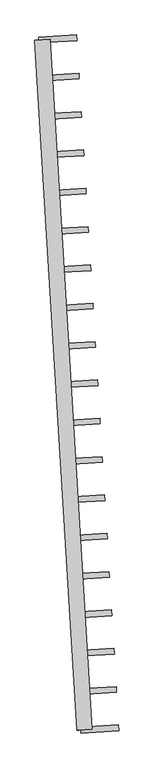
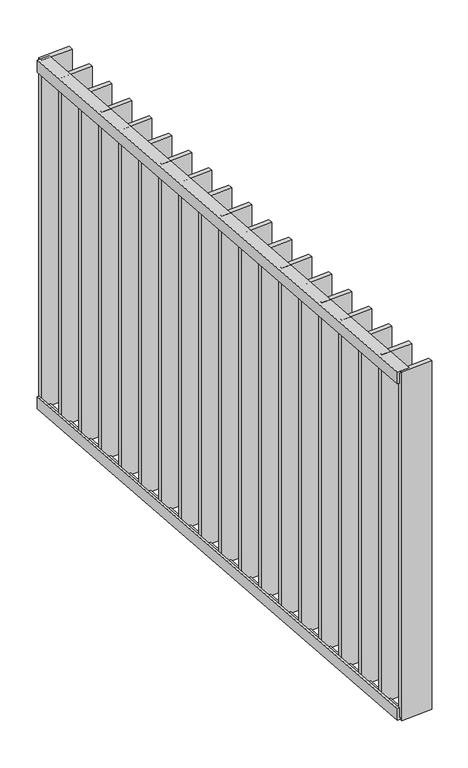
"""IFC4 building model written with IfcOpenShell, lengths in millimetres: railing geometry."""

import ifcopenshell
import ifcopenshell.guid

model = None  # the IFC model being written
_history = None  # IfcOwnerHistory: only IFC2X3 demands one
_inside = {}  # id of a spatial element -> (the spatial element, [elements in it])
_under = {}  # id of a project, library or spatial element -> (it, [spatial elements below it])
_declared = {}  # id of a project -> (the project, [libraries it declares])
_typed = {}  # id of a type object -> (the type object, [elements of that type])
_made_of = {}  # id of a material, layer set ... -> (it, [elements and type objects made of it])


def new_model(schema):
    """Start an empty IFC model of exactly this schema.

    Asked for "IFC4X3", IfcOpenShell would pick the latest addendum, in which some entities
    have other attributes; the version numbers below select the first issue.
    IFC2X3 requires an IfcOwnerHistory on every rooted entity: one is made here for all.
    """
    global model, _history
    if schema == "IFC4X3":
        model = ifcopenshell.file(schema_version=(4, 3, 0, 0))
    else:
        model = ifcopenshell.file(schema=schema)
    _inside.clear()
    _under.clear()
    _declared.clear()
    _typed.clear()
    _made_of.clear()
    _history = None
    if model.schema == "IFC2X3":
        org = make("IfcOrganization", Name="unknown")
        user = make(
            "IfcPersonAndOrganization",
            ThePerson=make("IfcPerson", FamilyName="unknown"),
            TheOrganization=org,
        )
        app = make(
            "IfcApplication",
            ApplicationDeveloper=org,
            Version="unknown",
            ApplicationFullName="unknown",
            ApplicationIdentifier="unknown",
        )
        _history = make(
            "IfcOwnerHistory",
            OwningUser=user,
            OwningApplication=app,
            ChangeAction="ADDED",
            CreationDate=0,
        )
    return model


def make(cls, **values):
    """One entity of the class cls with the attributes given. An attribute that is None is left unset."""
    return model.create_entity(
        cls, **{name: value for name, value in values.items() if value is not None}
    )


def rooted(cls, **values):
    """An entity with a GlobalId (a new one), such as an element, a storey or a relation."""
    return make(cls, GlobalId=ifcopenshell.guid.new(), OwnerHistory=_history, **values)


def si_unit(unit_type, name, prefix=None):
    """IfcSIUnit, for example si_unit("LENGTHUNIT", "METRE", prefix="MILLI")."""
    return make("IfcSIUnit", UnitType=unit_type, Prefix=prefix, Name=name)


def assignment(units):
    """IfcUnitAssignment: the units of a project."""
    return None if units is None else make("IfcUnitAssignment", Units=units)


def point(xyz):
    """IfcCartesianPoint."""
    return None if xyz is None else make("IfcCartesianPoint", Coordinates=xyz)


def direction(xyz):
    """IfcDirection."""
    return None if xyz is None else make("IfcDirection", DirectionRatios=xyz)


def frame(location, z_axis=None, x_axis=None):
    """IfcAxis2Placement3D, a coordinate frame: its origin and axes. An axis left out is left unset."""
    return make(
        "IfcAxis2Placement3D",
        Location=point(location),
        Axis=direction(z_axis),
        RefDirection=direction(x_axis),
    )


def origin():
    """The frame at (0, 0, 0) with its axes left unset."""
    return frame((0.0, 0.0, 0.0))


def place(relative_to, where):
    """IfcLocalPlacement: puts the frame where relative to a parent placement (None: the world)."""
    return make(
        "IfcLocalPlacement", PlacementRelTo=relative_to, RelativePlacement=where
    )


def context(
    kind, dimensions, precision=None, world=None, true_north=None, identifier=None
):
    """IfcGeometricRepresentationContext, for example the 3D "Model" context."""
    return make(
        "IfcGeometricRepresentationContext",
        ContextIdentifier=identifier,
        ContextType=kind,
        CoordinateSpaceDimension=dimensions,
        Precision=precision,
        WorldCoordinateSystem=world,
        TrueNorth=true_north,
    )


def project(units=None, contexts=None):
    """IfcProject with its units and contexts."""
    return rooted(
        "IfcProject",
        Name="project",
        RepresentationContexts=contexts,
        UnitsInContext=assignment(units),
    )


def spatial(cls, under=None, at=None, **own):
    """A site, building, storey or space (cls), placed at a placement, below another one or the project."""
    s = rooted(cls, ObjectPlacement=at, **own)
    if under is not None:
        _under.setdefault(under.id(), (under, []))[1].append(s)
    return s


def polyline(points):
    """IfcPolyline through the points."""
    return make("IfcPolyline", Points=[point(p) for p in points])


def outline(outer, holes=None, kind="AREA"):
    """IfcArbitraryClosedProfileDef: a profile drawn as a closed curve; with holes, ...WithVoids."""
    if holes is None:
        return make("IfcArbitraryClosedProfileDef", ProfileType=kind, OuterCurve=outer)
    return make(
        "IfcArbitraryProfileDefWithVoids",
        ProfileType=kind,
        OuterCurve=outer,
        InnerCurves=holes,
    )


def extrude(swept, where, along, depth):
    """IfcExtrudedAreaSolid: the profile swept, set in the frame where, extruded along a direction by depth."""
    return make(
        "IfcExtrudedAreaSolid",
        SweptArea=swept,
        Position=where,
        ExtrudedDirection=direction(along),
        Depth=depth,
    )


def shape(context_of_items, identifier, shape_type, items):
    """IfcShapeRepresentation: the items that make up one representation, for example the "Body"."""
    return make(
        "IfcShapeRepresentation",
        ContextOfItems=context_of_items,
        RepresentationIdentifier=identifier,
        RepresentationType=shape_type,
        Items=items,
    )


def source(mapping_origin, context_of_items, identifier, shape_type, items):
    """IfcRepresentationMap: a shape defined once, which mapped items show again and again."""
    return make(
        "IfcRepresentationMap",
        MappingOrigin=mapping_origin,
        MappedRepresentation=shape(context_of_items, identifier, shape_type, items),
    )


def transform(
    local_origin,
    x_axis=None,
    y_axis=None,
    z_axis=None,
    scale=None,
    scale2=None,
    scale3=None,
    uniform=True,
):
    """IfcCartesianTransformationOperator3D, or its non-uniform kind. x_axis, y_axis, z_axis: its Axis1, 2, 3."""
    if uniform:
        return make(
            "IfcCartesianTransformationOperator3D",
            Axis1=direction(x_axis),
            Axis2=direction(y_axis),
            LocalOrigin=point(local_origin),
            Scale=scale,
            Axis3=direction(z_axis),
        )
    return make(
        "IfcCartesianTransformationOperator3DnonUniform",
        Axis1=direction(x_axis),
        Axis2=direction(y_axis),
        LocalOrigin=point(local_origin),
        Scale=scale,
        Axis3=direction(z_axis),
        Scale2=scale2,
        Scale3=scale3,
    )


def mapped(mapping_source, mapping_target):
    """IfcMappedItem: shows the shape of a source again, moved by a transform."""
    return make(
        "IfcMappedItem", MappingSource=mapping_source, MappingTarget=mapping_target
    )


def made_of(thing, what):
    """Note that an element or type object is made of a material, layer set ...; save() writes the relation."""
    if what is not None:
        _made_of.setdefault(what.id(), (what, []))[1].append(thing)
    return thing


def element(
    cls,
    number,
    at=None,
    inside=None,
    cuts=None,
    type_object=None,
    material=None,
    context=None,
    identifier="Body",
    shape_type=None,
    held_by="IfcProductDefinitionShape",
    body=None,
    shapes=None,
    **own,
):
    """One element of the class cls, such as IfcWall. Its Tag is "e" and its number.

    at: its placement. inside: the storey or other place that contains it. cuts: it is an
    opening in that element (IfcRelVoidsElement). A single representation is given by context,
    identifier, shape_type and body (its items); several are given by shapes. held_by: the class
    of the entity that holds the representations. save() writes the other relations.
    """
    e = rooted(cls, Tag="e%d" % number, ObjectPlacement=at, **own)
    if body is not None:
        shapes = [shape(context, identifier, shape_type, body)]
    if shapes is not None:
        e.Representation = make(held_by, Representations=shapes)
    if inside is not None:
        _inside.setdefault(inside.id(), (inside, []))[1].append(e)
    if cuts is not None:
        rooted(
            "IfcRelVoidsElement", RelatingBuildingElement=cuts, RelatedOpeningElement=e
        )
    if type_object is not None:
        _typed.setdefault(type_object.id(), (type_object, []))[1].append(e)
    return made_of(e, material)


def aggregate(whole, parts):
    """IfcRelAggregates: a whole, such as a stair, and the parts it consists of."""
    return rooted("IfcRelAggregates", RelatingObject=whole, RelatedObjects=parts)


def save(model, path):
    """Write the relations noted so far, then the file.

    IfcRelAggregates (storeys below a building ...), IfcRelContainedInSpatialStructure (elements
    in a storey), IfcRelDefinesByType, IfcRelAssociatesMaterial and IfcRelDeclares: one each for
    every whole, place, type object, material and project.
    """
    for whole, parts in _under.values():
        aggregate(whole, parts)
    for where, things in _inside.values():
        rooted(
            "IfcRelContainedInSpatialStructure",
            RelatedElements=things,
            RelatingStructure=where,
        )
    for kind, things in _typed.values():
        rooted("IfcRelDefinesByType", RelatedObjects=things, RelatingType=kind)
    for what, things in _made_of.values():
        rooted("IfcRelAssociatesMaterial", RelatedObjects=things, RelatingMaterial=what)
    for by, libraries in _declared.values():
        rooted("IfcRelDeclares", RelatingContext=by, RelatedDefinitions=libraries)
    model.write(path)


def railing_e81b0c58(model_context):
    return source(origin(), model_context, "Body", "SweptSolid", [
        extrude(outline(polyline([(-13.9999999, 6.0), (20.0, 6.0), (20.0, 0.0), (-19.9999999, 0.0), (-19.9999999, 40.0), (-13.9999999, 40.0), (-13.9999999, 6.0)])), frame((29519.2103733, 29569.9386573, 8000.0), z_axis=(-0.06104853953244377, 0.9981347984220146, 0.0), x_axis=(0.9981347984220146, 0.06104853953244377, 0.0)), (0.0, 0.0, 1.0), 1810.0),
        extrude(outline(polyline([(-13.9999999, -6.0), (-13.9999999, -40.0), (-19.9999999, -40.0), (-19.9999999, 0.0), (20.0, 0.0), (20.0, -6.0), (-13.9999999, -6.0)])), frame((29519.2103733, 29569.9386573, 6820.0), z_axis=(-0.06104853953244377, 0.9981347984220146, 0.0), x_axis=(0.9981347984220146, 0.06104853953244377, 0.0)), (0.0, 0.0, 1.0), 1810.0),
        extrude(outline(polyline([(29502.6323915, 29677.182182), (29602.4458713, 29683.287036), (29603.3615994, 29668.315014), (29503.5481196, 29662.21016), (29502.6323915, 29677.182182)])), frame((0.0, 0.0, 6819.9), z_axis=(0.0, 0.0, 1.0), x_axis=(1.0, 0.0, 0.0)), (0.0, 0.0, 1.0), 1180.2),
        extrude(outline(polyline([(29496.4936217, 29777.5501812), (29596.3071015, 29783.6550352), (29597.2228296, 29768.6830132), (29497.4093498, 29762.5781592), (29496.4936217, 29777.5501812)])), frame((0.0, 0.0, 6819.9), z_axis=(0.0, 0.0, 1.0), x_axis=(1.0, 0.0, 0.0)), (0.0, 0.0, 1.0), 1180.2),
        extrude(outline(polyline([(29490.3548519, 29877.9181804), (29590.1683317, 29884.0230343), (29591.0840598, 29869.0510124), (29491.27058, 29862.9461584), (29490.3548519, 29877.9181804)])), frame((0.0, 0.0, 6819.9), z_axis=(0.0, 0.0, 1.0), x_axis=(1.0, 0.0, 0.0)), (0.0, 0.0, 1.0), 1180.2),
        extrude(outline(polyline([(29484.2160821, 29978.2861796), (29584.0295619, 29984.3910335), (29584.94529, 29969.4190115), (29485.1318102, 29963.3141576), (29484.2160821, 29978.2861796)])), frame((0.0, 0.0, 6819.9), z_axis=(0.0, 0.0, 1.0), x_axis=(1.0, 0.0, 0.0)), (0.0, 0.0, 1.0), 1180.2),
        extrude(outline(polyline([(29478.0773123, 30078.6541787), (29577.8907921, 30084.7590327), (29578.8065202, 30069.7870107), (29478.9930403, 30063.6821567), (29478.0773123, 30078.6541787)])), frame((0.0, 0.0, 6819.9), z_axis=(0.0, 0.0, 1.0), x_axis=(1.0, 0.0, 0.0)), (0.0, 0.0, 1.0), 1180.2),
        extrude(outline(polyline([(29471.9385424, 30179.0221779), (29571.7520223, 30185.1270319), (29572.6677504, 30170.1550099), (29472.8542705, 30164.0501559), (29471.9385424, 30179.0221779)])), frame((0.0, 0.0, 6819.9), z_axis=(0.0, 0.0, 1.0), x_axis=(1.0, 0.0, 0.0)), (0.0, 0.0, 1.0), 1180.2),
        extrude(outline(polyline([(29465.7997726, 30279.3901771), (29565.6132525, 30285.495031), (29566.5289806, 30270.5230091), (29466.7155007, 30264.4181551), (29465.7997726, 30279.3901771)])), frame((0.0, 0.0, 6819.9), z_axis=(0.0, 0.0, 1.0), x_axis=(1.0, 0.0, 0.0)), (0.0, 0.0, 1.0), 1180.2),
        extrude(outline(polyline([(29459.6610028, 30379.7581763), (29559.4744827, 30385.8630302), (29560.3902108, 30370.8910082), (29460.5767309, 30364.7861543), (29459.6610028, 30379.7581763)])), frame((0.0, 0.0, 6819.9), z_axis=(0.0, 0.0, 1.0), x_axis=(1.0, 0.0, 0.0)), (0.0, 0.0, 1.0), 1180.2),
        extrude(outline(polyline([(29453.522233, 30480.1261754), (29553.3357129, 30486.2310294), (29554.251441, 30471.2590074), (29454.4379611, 30465.1541534), (29453.522233, 30480.1261754)])), frame((0.0, 0.0, 6819.9), z_axis=(0.0, 0.0, 1.0), x_axis=(1.0, 0.0, 0.0)), (0.0, 0.0, 1.0), 1180.2),
        extrude(outline(polyline([(29447.3834632, 30580.4941746), (29547.1969431, 30586.5990286), (29548.1126711, 30571.6270066), (29448.2991913, 30565.5221526), (29447.3834632, 30580.4941746)])), frame((0.0, 0.0, 6819.9), z_axis=(0.0, 0.0, 1.0), x_axis=(1.0, 0.0, 0.0)), (0.0, 0.0, 1.0), 1180.2),
        extrude(outline(polyline([(29441.2446934, 30680.8621738), (29541.0581732, 30686.9670277), (29541.9739013, 30671.9950058), (29442.1604215, 30665.8901518), (29441.2446934, 30680.8621738)])), frame((0.0, 0.0, 6819.9), z_axis=(0.0, 0.0, 1.0), x_axis=(1.0, 0.0, 0.0)), (0.0, 0.0, 1.0), 1180.2),
        extrude(outline(polyline([(29435.1059236, 30781.230173), (29534.9194034, 30787.3350269), (29535.8351315, 30772.3630049), (29436.0216517, 30766.258151), (29435.1059236, 30781.230173)])), frame((0.0, 0.0, 6819.9), z_axis=(0.0, 0.0, 1.0), x_axis=(1.0, 0.0, 0.0)), (0.0, 0.0, 1.0), 1180.2),
        extrude(outline(polyline([(29428.9671538, 30881.5981721), (29528.7806336, 30887.7030261), (29529.6963617, 30872.7310041), (29429.8828819, 30866.6261501), (29428.9671538, 30881.5981721)])), frame((0.0, 0.0, 6819.9), z_axis=(0.0, 0.0, 1.0), x_axis=(1.0, 0.0, 0.0)), (0.0, 0.0, 1.0), 1180.2),
        extrude(outline(polyline([(29422.828384, 30981.9661713), (29522.6418638, 30988.0710253), (29523.5575919, 30973.0990033), (29423.7441121, 30966.9941493), (29422.828384, 30981.9661713)])), frame((0.0, 0.0, 6819.9), z_axis=(0.0, 0.0, 1.0), x_axis=(1.0, 0.0, 0.0)), (0.0, 0.0, 1.0), 1180.2),
        extrude(outline(polyline([(29416.6896142, 31082.3341705), (29516.503094, 31088.4390244), (29517.4188221, 31073.4670025), (29417.6053423, 31067.3621485), (29416.6896142, 31082.3341705)])), frame((0.0, 0.0, 6819.9), z_axis=(0.0, 0.0, 1.0), x_axis=(1.0, 0.0, 0.0)), (0.0, 0.0, 1.0), 1180.2),
        extrude(outline(polyline([(29410.5508444, 31182.7021697), (29510.3643242, 31188.8070236), (29511.2800523, 31173.8350016), (29411.4665725, 31167.7301477), (29410.5508444, 31182.7021697)])), frame((0.0, 0.0, 6819.9), z_axis=(0.0, 0.0, 1.0), x_axis=(1.0, 0.0, 0.0)), (0.0, 0.0, 1.0), 1180.2),
        extrude(outline(polyline([(29404.4120746, 31283.0701688), (29504.2255544, 31289.1750228), (29505.1412825, 31274.2030008), (29405.3278026, 31268.0981468), (29404.4120746, 31283.0701688)])), frame((0.0, 0.0, 6819.9), z_axis=(0.0, 0.0, 1.0), x_axis=(1.0, 0.0, 0.0)), (0.0, 0.0, 1.0), 1180.2),
        extrude(outline(polyline([(29508.7711613, 29576.8141829), (29608.5846411, 29582.9190368), (29609.5003692, 29567.9470148), (29509.6868894, 29561.8421609), (29508.7711613, 29576.8141829)])), frame((0.0, 0.0, 6819.9), z_axis=(0.0, 0.0, 1.0), x_axis=(1.0, 0.0, 0.0)), (0.0, 0.0, 1.0), 1180.2),
        extrude(outline(polyline([(29398.2733047, 31383.438168), (29498.0867846, 31389.543022), (29499.0025127, 31374.571), (29399.1890328, 31368.466146), (29398.2733047, 31383.438168)])), frame((0.0, 0.0, 6819.9), z_axis=(0.0, 0.0, 1.0), x_axis=(1.0, 0.0, 0.0)), (0.0, 0.0, 1.0), 1180.2),
    ])


if __name__ == "__main__":
    model = new_model("IFC4")
    model_context = context("Model", 3, world=origin())
    ifc_project = project(units=[si_unit("LENGTHUNIT", "METRE", prefix="MILLI")], contexts=[model_context])
    site = spatial("IfcSite", under=ifc_project)
    building = spatial("IfcBuilding", under=site)
    placement = place(None, origin())
    railing_shape = railing_e81b0c58(model_context)
    element("IfcRailing", 1, at=placement, inside=building, context=model_context, shape_type="MappedRepresentation", body=[
        mapped(railing_shape, transform((0.0, 0.0, 0.0), x_axis=(1.0, 0.0, 0.0), y_axis=(0.0, 1.0, 0.0), z_axis=(0.0, 0.0, 1.0))),
    ])
    save(model, "model.ifc")
